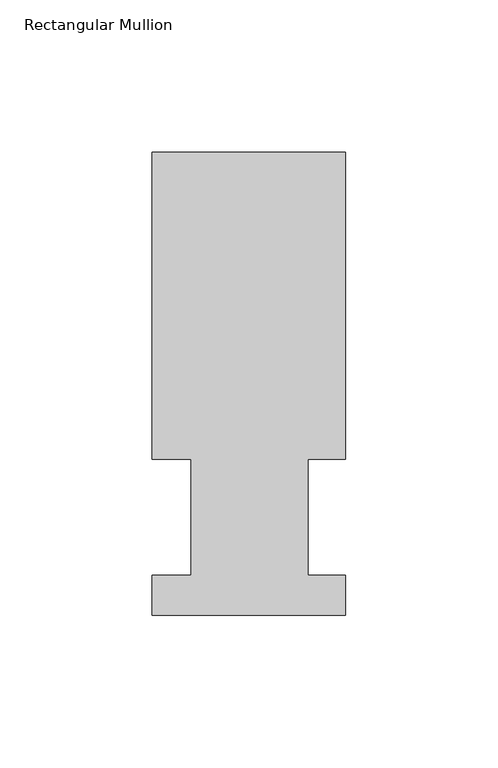
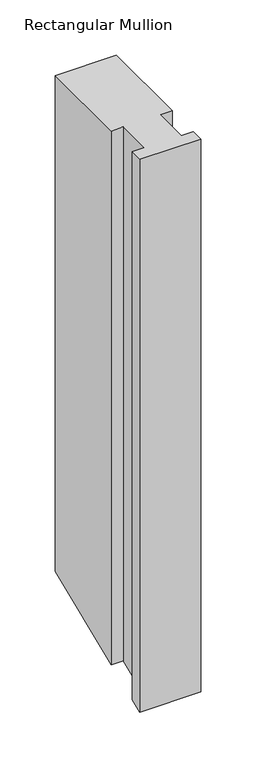
"""IFC4 building model written with IfcOpenShell, lengths in millimetres: member geometry, Rectangular Mullion."""

from ifc_helpers import new_model, si_unit, origin, place, context, project, spatial, faceted_brep, source, transform, mapped, element, save


def rectangular_mullion_ad717f53(model_context):
    return source(origin(), model_context, "Body", "Brep", [
        faceted_brep([(0.0, 151.9816937, 0.0), (-63.5, 151.9816937, 0.0), (-63.5, 51.2960938, 0.0), (-50.8, 51.2960938, 0.0), (-50.8, 13.1960937, 0.0), (-63.5, 13.1960937, 0.0), (-63.5, 0.0134937, 0.0), (0.0, 0.0134937, 0.0), (0.0, 13.1960937, 0.0), (-12.3418395, 13.1960937, 0.0), (-12.3418395, 51.2960937, 0.0), (0.0, 51.2960938, 0.0), (0.0, 151.9816937, -546.6471212), (-63.5, 151.9816937, -546.6471212), (-63.5, 51.2960938, -588.3524623), (-50.8, 51.2960938, -588.3524623), (-50.8, 13.1960937, -604.133999), (-63.5, 13.1960937, -604.133999), (-63.5, 0.0134937, -609.5944107), (0.0, 0.0134937, -609.5944107), (0.0, 13.1960937, -604.133999), (-12.3418395, 13.1960937, -604.133999), (-12.3418395, 51.2960937, -588.3524623), (0.0, 51.2960937, -588.3524623)], [[[0, 1, 2, 3, 4, 5, 6, 7, 8, 9, 10, 11]], [[1, 0, 12, 13]], [[2, 1, 13, 14]], [[3, 2, 14, 15]], [[4, 3, 15, 16]], [[5, 4, 16, 17]], [[6, 5, 17, 18]], [[7, 6, 18, 19]], [[8, 7, 19, 20]], [[9, 8, 20, 21]], [[10, 9, 21, 22]], [[11, 10, 22, 23]], [[0, 11, 23, 12]], [[12, 23, 22, 21, 20, 19, 18, 17, 16, 15, 14, 13]]]),
    ])


if __name__ == "__main__":
    model = new_model("IFC4")
    model_context = context("Model", 3, world=origin())
    ifc_project = project(units=[si_unit("LENGTHUNIT", "METRE", prefix="MILLI")], contexts=[model_context])
    site = spatial("IfcSite", under=ifc_project)
    building = spatial("IfcBuilding", under=site)
    placement = place(None, origin())
    rectangular_mullion_shape = rectangular_mullion_ad717f53(model_context)
    element("IfcMember", 1, ObjectType="Rectangular Mullion", at=placement, inside=building, context=model_context, shape_type="MappedRepresentation", body=[
        mapped(rectangular_mullion_shape, transform((0.0, 0.0, 0.0), x_axis=(1.0, 0.0, 0.0), y_axis=(0.0, 1.0, 0.0), z_axis=(0.0, 0.0, 1.0))),
    ])
    save(model, "model.ifc")
